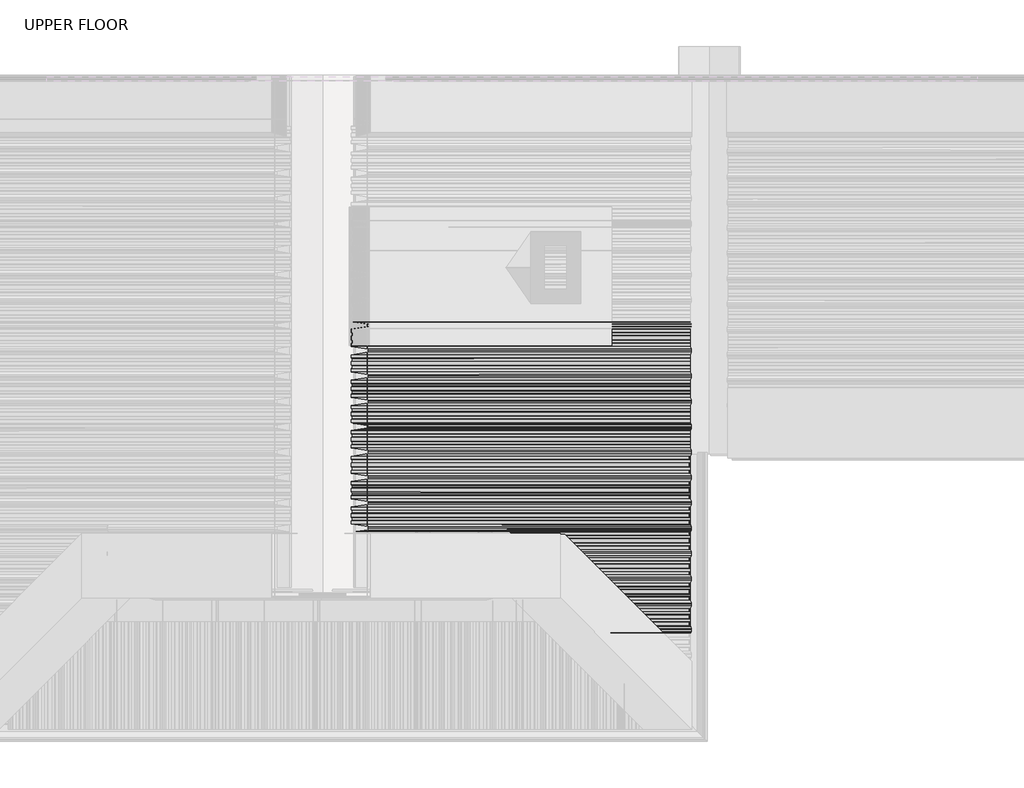
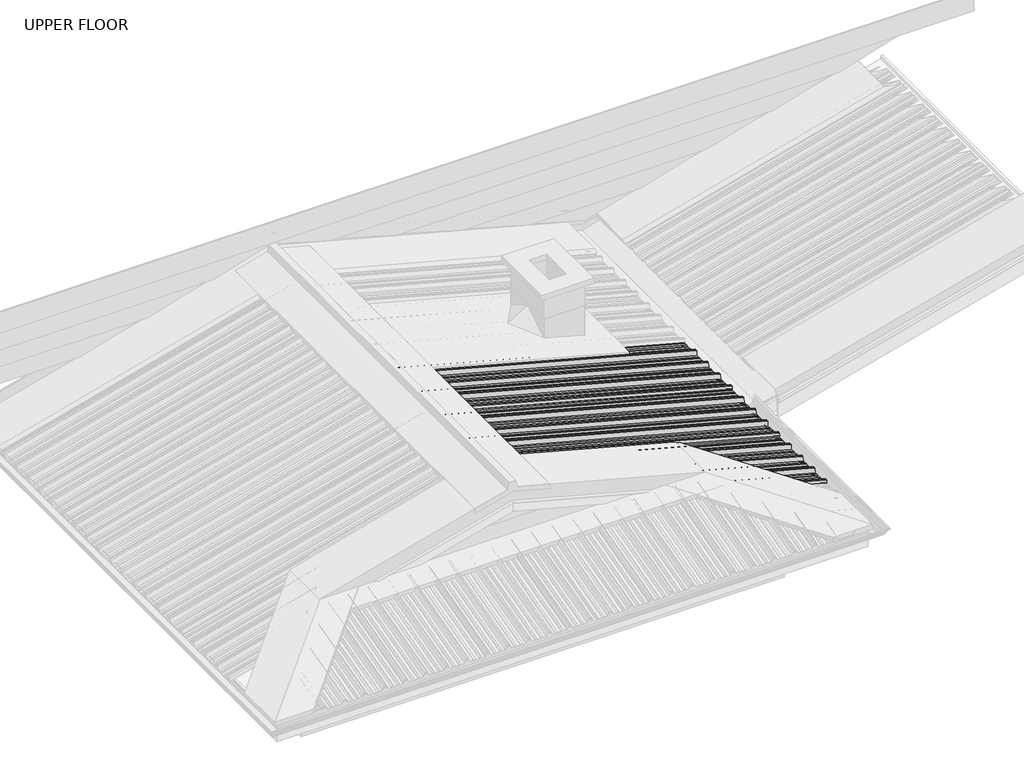
# One storey, part 15 of 21: 3 beams.
"""IFC4 building model written with IfcOpenShell, lengths in millimetres."""

from ifc_helpers import new_model, si_unit, point, frame, frame_2d, origin, place, context, project, spatial, polyline, circle_curve, ellipse_curve, trimmed, segment, composite_curve, outline, extrude, element, save
from ifc_brep_helpers import plane_surface, cylinder_surface, advanced_brep

model = new_model("IFC4")

# Units and contexts
model_context = context("Model", 3, world=origin())
ifc_project = project(units=[si_unit("LENGTHUNIT", "METRE", prefix="MILLI")], contexts=[model_context])

# Site, building, storey
site = spatial("IfcSite", under=ifc_project)
building = spatial("IfcBuilding", under=site)
storey = spatial("IfcBuildingStorey", under=building, Name="UPPER FLOOR", Elevation=2700.0)

# Beams
placement = place(None, origin())
element("IfcBeam", 1, ObjectType="MC700", at=placement, inside=storey, context=model_context, shape_type="AdvancedBrep", body=[
    advanced_brep(
    [(4582.0763624, -3534.795044, 3263.7013822), (4582.0763624, -3507.7370223, 3263.7013822), (4582.6044119, -3503.3567046, 3265.6720894), (4582.6044119, -3486.9287133, 3265.6720894), (4582.0763624, -3483.7136691, 3263.7013822), (4582.0763624, -3461.0160316, 3263.7013822), (4590.0997528, -3442.9415216, 3293.6450828), (4590.0997528, -3432.5160332, 3293.6450828), (4590.0997528, -3422.0905447, 3293.6450828), (4582.0763624, -3404.0160347, 3263.7013822), (4582.0763624, -3381.3183972, 3263.7013822), (4582.6044119, -3378.103353, 3265.6720894), (4582.6044119, -3361.6753617, 3265.6720894), (4582.0763624, -3357.295044, 3263.7013822), (4582.0763624, -3330.2370223, 3263.7013822), (4582.6044119, -3325.8567046, 3265.6720894), (4582.6044119, -3309.4287133, 3265.6720894), (4582.0763624, -3306.2136691, 3263.7013822), (4582.0763624, -3281.200911, 3263.7013822), (4589.5821147, -3264.2924985, 3291.7132311), (4589.5821147, -3245.7395679, 3291.7132311), (4583.2981132, -3231.5834264, 3268.261018), (4583.4284771, -3230.7195405, 3268.7475428), (4589.8409338, -3245.1650563, 3292.679157), (4589.8409338, -3264.86701, 3292.679157), (4582.3351815, -3281.7754226, 3264.667308), (4582.3351815, -3305.9231546, 3264.667308), (4582.8632309, -3309.1381988, 3266.6380153), (4582.8632309, -3326.0781681, 3266.6380153), (4582.3351815, -3330.4584858, 3264.667308), (4582.3351815, -3357.0735805, 3264.667308), (4582.8632309, -3361.4538982, 3266.6380153), (4582.8632309, -3378.3938675, 3266.6380153), (4582.3351815, -3381.6089117, 3264.667308), (4582.3351815, -3403.4415232, 3264.667308), (4590.3585719, -3421.5160332, 3294.6110086), (4590.3585719, -3432.5160332, 3294.6110086), (4590.3585719, -3443.5160332, 3294.6110086), (4582.3351815, -3461.5905432, 3264.667308), (4582.3351815, -3483.4231546, 3264.667308), (4582.8632309, -3486.6381988, 3266.6380153), (4582.8632309, -3503.5781681, 3266.6380153), (4582.3351815, -3507.9584858, 3264.667308), (4582.3351815, -3534.5735805, 3264.667308), (4582.8632309, -3538.9538982, 3266.6380153), (4582.8632309, -3555.8938675, 3266.6380153), (4582.3351815, -3559.1089117, 3264.667308), (4582.3351815, -3580.9415232, 3264.667308), (4590.3585719, -3599.0160332, 3294.6110086), (4590.3585719, -3610.0160332, 3294.6110086), (4590.3585719, -3621.0160332, 3294.6110086), (4582.3351815, -3639.0905432, 3264.667308), (4582.3351815, -3660.9231546, 3264.667308), (4582.8632309, -3664.1381988, 3266.6380153), (4582.8632309, -3681.0781681, 3266.6380153), (4582.3351815, -3685.4584858, 3264.667308), (4582.3351815, -3712.0735805, 3264.667308), (4582.8632309, -3716.4538982, 3266.6380153), (4582.8632309, -3733.3938675, 3266.6380153), (4582.3351815, -3736.6089117, 3264.667308), (4582.3351815, -3758.4415232, 3264.667308), (4590.3585719, -3776.5160332, 3294.6110086), (4590.3585719, -3787.5160332, 3294.6110086), (4590.3585719, -3798.5160332, 3294.6110086), (4582.3351815, -3816.5905432, 3264.667308), (4582.3351815, -3838.4231546, 3264.667308), (4582.8632309, -3841.6381988, 3266.6380153), (4582.8632309, -3858.5781681, 3266.6380153), (4582.3351815, -3862.9584858, 3264.667308), (4582.3351815, -3889.5735805, 3264.667308), (4582.8632309, -3893.9538982, 3266.6380153), (4582.8632309, -3910.8938675, 3266.6380153), (4582.3351815, -3914.1089117, 3264.667308), (4582.3351815, -3935.9415232, 3264.667308), (4590.3585719, -3954.0160332, 3294.6110086), (4590.3585719, -3965.0160332, 3294.6110086), (4590.3585719, -3976.0160332, 3294.6110086), (4584.7688188, -3988.6082221, 3273.7497661), (4584.6384549, -3987.7443362, 3273.2632413), (4590.0997528, -3975.4415216, 3293.6450828), (4590.0997528, -3965.0160332, 3293.6450828), (4590.0997528, -3954.5905447, 3293.6450828), (4582.0763624, -3936.5160347, 3263.7013822), (4582.0763624, -3913.8183972, 3263.7013822), (4582.6044119, -3910.603353, 3265.6720894), (4582.6044119, -3894.1753617, 3265.6720894), (4582.0763624, -3889.795044, 3263.7013822), (4582.0763624, -3862.7370223, 3263.7013822), (4582.6044119, -3858.3567046, 3265.6720894), (4582.6044119, -3841.9287133, 3265.6720894), (4582.0763624, -3838.7136691, 3263.7013822), (4582.0763624, -3816.0160316, 3263.7013822), (4590.0997528, -3797.9415216, 3293.6450828), (4590.0997528, -3787.5160332, 3293.6450828), (4590.0997528, -3777.0905447, 3293.6450828), (4582.0763624, -3759.0160347, 3263.7013822), (4582.0763624, -3736.3183972, 3263.7013822), (4582.6044119, -3733.103353, 3265.6720894), (4582.6044119, -3716.6753617, 3265.6720894), (4582.0763624, -3712.295044, 3263.7013822), (4582.0763624, -3685.2370223, 3263.7013822), (4582.6044119, -3680.8567046, 3265.6720894), (4582.6044119, -3664.4287133, 3265.6720894), (4582.0763624, -3661.2136691, 3263.7013822), (4582.0763624, -3638.5160316, 3263.7013822), (4590.0997528, -3620.4415216, 3293.6450828), (4590.0997528, -3610.0160332, 3293.6450828), (4590.0997528, -3599.5905447, 3293.6450828), (4582.0763624, -3581.5160347, 3263.7013822), (4582.0763624, -3558.8183972, 3263.7013822), (4582.6044119, -3555.603353, 3265.6720894), (4582.6044119, -3539.1753617, 3265.6720894), (3723.3809399, -3685.2370223, 3493.7881272), (3719.0006222, -3680.8567046, 3497.0740275), (3750.4389616, -3712.295044, 3486.5379521), (3754.8192794, -3716.6753617, 3487.4764472), (3771.2472706, -3733.103353, 3483.0745802), (3774.4623148, -3736.3183972, 3480.100914), (3797.1599523, -3759.0160347, 3474.0191004), (3815.2344623, -3777.0905447, 3501.2696116), (3825.6599508, -3787.5160332, 3498.4761104), (3836.0854392, -3797.9415216, 3495.6826092), (3854.1599492, -3816.0160316, 3458.7459972), (3876.8575867, -3838.7136691, 3452.6641836), (3880.0726309, -3841.9287133, 3453.9149128), (3896.5006222, -3858.3567046, 3449.5130458), (3900.8809399, -3862.7370223, 3446.2271455), (3927.9389616, -3889.795044, 3438.9769704), (3932.3192794, -3894.1753617, 3439.9154656), (3948.7472706, -3910.603353, 3435.5135986), (3951.9623148, -3913.8183972, 3432.5399324), (3974.6599523, -3936.5160347, 3426.4581187), (3992.7344623, -3954.5905447, 3453.70863), (4003.1599508, -3965.0160332, 3450.9151287), (4013.5854392, -3975.4415216, 3448.1216275), (4025.8882538, -3987.7443362, 3422.9799064), (4026.7521397, -3988.6082221, 3423.2698846), (4014.1599508, -3976.0160332, 3449.0029638), (4003.1599508, -3965.0160332, 3451.9504049), (3992.1599508, -3954.0160332, 3454.897846), (3974.0854408, -3935.9415232, 3427.6473348), (3952.2528293, -3914.1089117, 3433.4973654), (3949.0377851, -3910.8938675, 3436.4710316), (3932.0978158, -3893.9538982, 3441.0100827), (3927.7174981, -3889.5735805, 3440.0715876), (3901.1024034, -3862.9584858, 3447.2030807), (3896.7220857, -3858.5781681, 3450.488981), (3879.7821164, -3841.6381988, 3455.0280321), (3876.5670722, -3838.4231546, 3453.7773029), (3854.7344608, -3816.5905432, 3459.6273335), (3836.6599508, -3798.5160332, 3496.5639455), (3825.6599508, -3787.5160332, 3499.5113866), (3814.6599508, -3776.5160332, 3502.4588277), (3796.5854408, -3758.4415232, 3475.2083165), (3774.7528293, -3736.6089117, 3481.0583471), (3771.5377851, -3733.3938675, 3484.0320133), (3754.5978158, -3716.4538982, 3488.5710644), (3750.2174981, -3712.0735805, 3487.6325693), (3723.6024034, -3685.4584858, 3494.7640624), (3719.2220857, -3681.0781681, 3498.0499627), (3702.2821164, -3664.1381988, 3502.5890138), (3699.0670722, -3660.9231546, 3501.3382846), (3677.2344608, -3639.0905432, 3507.1883152), (3659.1599508, -3621.0160332, 3544.1249271), (3648.1599508, -3610.0160332, 3547.0723682), (3637.1599508, -3599.0160332, 3550.0198094), (3619.0854408, -3580.9415232, 3522.7692981), (3597.2528293, -3559.1089117, 3528.6193287), (3594.0377851, -3555.8938675, 3531.5929949), (3577.0978158, -3538.9538982, 3536.132046), (3572.7174981, -3534.5735805, 3535.1935509), (3546.1024034, -3507.9584858, 3542.325044), (3541.7220857, -3503.5781681, 3545.6109443), (3524.7821164, -3486.6381988, 3550.1499954), (3521.5670722, -3483.4231546, 3548.8992662), (3499.7344608, -3461.5905432, 3554.7492968), (3481.6599508, -3443.5160332, 3591.6859088), (3470.6599508, -3432.5160332, 3594.6333499), (3459.6599508, -3421.5160332, 3597.580791), (3441.5854408, -3403.4415232, 3570.3302798), (3419.7528293, -3381.6089117, 3576.1803104), (3416.5377851, -3378.3938675, 3579.1539766), (3399.5978158, -3361.4538982, 3583.6930277), (3395.2174981, -3357.0735805, 3582.7545326), (3368.6024034, -3330.4584858, 3589.8860257), (3364.2220857, -3326.0781681, 3593.171926), (3347.2821164, -3309.1381988, 3597.7109771), (3344.0670722, -3305.9231546, 3596.4602479), (3319.9193402, -3281.7754226, 3602.9306132), (3303.0109276, -3264.86701, 3637.4842179), (3283.3089739, -3245.1650563, 3642.7633405), (3268.8634581, -3230.7195405, 3620.984178), (3269.727344, -3231.5834264, 3620.2312448), (3283.8834855, -3245.7395679, 3641.5741244), (3302.4364161, -3264.2924985, 3636.6028816), (3319.3448286, -3281.200911, 3602.0492769), (3344.3575867, -3306.2136691, 3595.3471286), (3347.5726309, -3309.4287133, 3596.5978578), (3364.0006222, -3325.8567046, 3592.1959908), (3368.3809399, -3330.2370223, 3588.9100905), (3395.4389616, -3357.295044, 3581.6599154), (3399.8192794, -3361.6753617, 3582.5984105), (3416.2472706, -3378.103353, 3578.1965435), (3419.4623148, -3381.3183972, 3575.2228773), (3442.1599523, -3404.0160347, 3569.1410637), (3460.2344623, -3422.0905447, 3596.3915749), (3470.6599508, -3432.5160332, 3593.5980737), (3481.0854392, -3442.9415216, 3590.8045725), (3499.1599492, -3461.0160316, 3553.8679606), (3521.8575867, -3483.7136691, 3547.7861469), (3525.0726309, -3486.9287133, 3549.0368761), (3541.5006222, -3503.3567046, 3544.6350091), (3545.8809399, -3507.7370223, 3541.3491088), (3572.9389616, -3534.795044, 3534.0989338), (3577.3192794, -3539.1753617, 3535.0374289), (3593.7472706, -3555.603353, 3530.6355619), (3596.9623148, -3558.8183972, 3527.6618957), (3619.6599523, -3581.5160347, 3521.580082), (3637.7344623, -3599.5905447, 3548.8305933), (3648.1599508, -3610.0160332, 3546.0370921), (3658.5854392, -3620.4415216, 3543.2435909), (3676.6599492, -3638.5160316, 3506.3069789), (3699.3575867, -3661.2136691, 3500.2251653), (3702.5726309, -3664.4287133, 3501.4758945)],
    [
        (0, 1),
        (1, 2),
        (2, 3),
        (3, 4),
        (4, 5),
        (5, 6),
        (6, 7),
        (7, 8),
        (8, 9),
        (9, 10),
        (10, 11),
        (11, 12),
        (12, 13),
        (13, 14),
        (14, 15),
        (15, 16),
        (16, 17),
        (17, 18),
        (18, 19),
        (19, 20),
        (20, 21),
        (21, 22, circle_curve(frame((4583.3632951, -3231.1514835, 3268.5042804), z_axis=(0.9659258262890683, 0.0, -0.25881904510252074), x_axis=(0.0, -1.0, 0.0)), 0.5)),
        (22, 23),
        (23, 24),
        (24, 25),
        (25, 26),
        (26, 27),
        (27, 28),
        (28, 29),
        (29, 30),
        (30, 31),
        (31, 32),
        (32, 33),
        (33, 34),
        (34, 35),
        (35, 36),
        (36, 37),
        (37, 38),
        (38, 39),
        (39, 40),
        (40, 41),
        (41, 42),
        (42, 43),
        (43, 44),
        (44, 45),
        (45, 46),
        (46, 47),
        (47, 48),
        (48, 49),
        (49, 50),
        (50, 51),
        (51, 52),
        (52, 53),
        (53, 54),
        (54, 55),
        (55, 56),
        (56, 57),
        (57, 58),
        (58, 59),
        (59, 60),
        (60, 61),
        (61, 62),
        (62, 63),
        (63, 64),
        (64, 65),
        (65, 66),
        (66, 67),
        (67, 68),
        (68, 69),
        (69, 70),
        (70, 71),
        (71, 72),
        (72, 73),
        (73, 74),
        (74, 75),
        (75, 76),
        (76, 77),
        (77, 78, circle_curve(frame((4584.7036368, -3988.1762792, 3273.5065037), z_axis=(0.9659258262890683, 0.0, -0.25881904510252074), x_axis=(0.0, -1.0, 0.0)), 0.5)),
        (78, 79),
        (79, 80),
        (80, 81),
        (81, 82),
        (82, 83),
        (83, 84),
        (84, 85),
        (85, 86),
        (86, 87),
        (87, 88),
        (88, 89),
        (89, 90),
        (90, 91),
        (91, 92),
        (92, 93),
        (93, 94),
        (94, 95),
        (95, 96),
        (96, 97),
        (97, 98),
        (98, 99),
        (99, 100),
        (100, 101),
        (101, 102),
        (102, 103),
        (103, 104),
        (104, 105),
        (105, 106),
        (106, 107),
        (107, 108),
        (108, 109),
        (109, 110),
        (110, 111),
        (111, 0),
        (100, 112),
        (112, 113),
        (113, 101),
        (99, 114),
        (114, 112),
        (98, 115),
        (115, 114),
        (97, 116),
        (116, 115),
        (96, 117),
        (117, 116),
        (95, 118),
        (118, 117),
        (94, 119),
        (119, 118),
        (93, 120),
        (120, 119),
        (92, 121),
        (121, 120),
        (91, 122),
        (122, 121),
        (90, 123),
        (123, 122),
        (89, 124),
        (124, 123),
        (88, 125),
        (125, 124),
        (87, 126),
        (126, 125),
        (86, 127),
        (127, 126),
        (85, 128),
        (128, 127),
        (84, 129),
        (129, 128),
        (83, 130),
        (130, 129),
        (82, 131),
        (131, 130),
        (81, 132),
        (132, 131),
        (80, 133),
        (133, 132),
        (79, 134),
        (134, 133),
        (78, 135),
        (135, 134),
        (77, 136),
        (136, 135, ellipse_curve(frame((4026.3201968, -3988.1762792, 3423.1248955), z_axis=(0.7071067811865475, 0.7071067811865476, 0.0), x_axis=(-0.6612248329466451, 0.661224832946645, 0.3543493200069143)), 0.7320508, 0.5)),
        (76, 137),
        (137, 136),
        (75, 138),
        (138, 137),
        (74, 139),
        (139, 138),
        (73, 140),
        (140, 139),
        (72, 141),
        (141, 140),
        (71, 142),
        (142, 141),
        (70, 143),
        (143, 142),
        (69, 144),
        (144, 143),
        (68, 145),
        (145, 144),
        (67, 146),
        (146, 145),
        (66, 147),
        (147, 146),
        (65, 148),
        (148, 147),
        (64, 149),
        (149, 148),
        (63, 150),
        (150, 149),
        (62, 151),
        (151, 150),
        (61, 152),
        (152, 151),
        (60, 153),
        (153, 152),
        (59, 154),
        (154, 153),
        (58, 155),
        (155, 154),
        (57, 156),
        (156, 155),
        (56, 157),
        (157, 156),
        (55, 158),
        (158, 157),
        (54, 159),
        (159, 158),
        (53, 160),
        (160, 159),
        (52, 161),
        (161, 160),
        (51, 162),
        (162, 161),
        (50, 163),
        (163, 162),
        (49, 164),
        (164, 163),
        (48, 165),
        (165, 164),
        (47, 166),
        (166, 165),
        (46, 167),
        (167, 166),
        (45, 168),
        (168, 167),
        (44, 169),
        (169, 168),
        (43, 170),
        (170, 169),
        (42, 171),
        (171, 170),
        (41, 172),
        (172, 171),
        (40, 173),
        (173, 172),
        (39, 174),
        (174, 173),
        (38, 175),
        (175, 174),
        (37, 176),
        (176, 175),
        (36, 177),
        (177, 176),
        (35, 178),
        (178, 177),
        (34, 179),
        (179, 178),
        (33, 180),
        (180, 179),
        (32, 181),
        (181, 180),
        (31, 182),
        (182, 181),
        (30, 183),
        (183, 182),
        (29, 184),
        (184, 183),
        (28, 185),
        (185, 184),
        (27, 186),
        (186, 185),
        (26, 187),
        (187, 186),
        (25, 188),
        (188, 187),
        (24, 189),
        (189, 188),
        (23, 190),
        (190, 189),
        (22, 191),
        (191, 190),
        (21, 192),
        (192, 191, ellipse_curve(frame((3269.2954011, -3231.1514835, 3620.6077114), z_axis=(0.7071067811865475, 0.7071067811865476, 0.0), x_axis=(-0.6612248329466451, 0.661224832946645, 0.3543493200069143)), 0.7320508, 0.5)),
        (20, 193),
        (193, 192),
        (19, 194),
        (194, 193),
        (18, 195),
        (195, 194),
        (17, 196),
        (196, 195),
        (16, 197),
        (197, 196),
        (15, 198),
        (198, 197),
        (14, 199),
        (199, 198),
        (13, 200),
        (200, 199),
        (12, 201),
        (201, 200),
        (11, 202),
        (202, 201),
        (10, 203),
        (203, 202),
        (9, 204),
        (204, 203),
        (8, 205),
        (205, 204),
        (7, 206),
        (206, 205),
        (6, 207),
        (207, 206),
        (5, 208),
        (208, 207),
        (4, 209),
        (209, 208),
        (3, 210),
        (210, 209),
        (2, 211),
        (211, 210),
        (1, 212),
        (212, 211),
        (0, 213),
        (213, 212),
        (111, 214),
        (214, 213),
        (110, 215),
        (215, 214),
        (109, 216),
        (216, 215),
        (108, 217),
        (217, 216),
        (107, 218),
        (218, 217),
        (106, 219),
        (219, 218),
        (105, 220),
        (220, 219),
        (104, 221),
        (221, 220),
        (103, 222),
        (222, 221),
        (102, 223),
        (223, 222),
        (113, 223),
    ],
    [
        plane_surface(frame((4582.0763624, -3534.795044, 3263.7013822), z_axis=(0.9659258262890684, 0.0, -0.2588190451025208), x_axis=(-0.10927828227881041, 0.9064939238095149, -0.4078321016283811))),
        plane_surface(frame((2080.6608278, -3680.8567046, 3936.0658523), z_axis=(-0.2346178917516155, 0.4222188604224425, -0.8756058923817275), x_axis=(0.9659258262890683, 0.0, -0.25881904510252074))),
        plane_surface(frame((2080.1327784, -3685.2370223, 3934.095145), z_axis=(-0.25881904510252074, 0.0, -0.9659258262890683), x_axis=(0.9659258262890683, 0.0, -0.25881904510252074))),
        plane_surface(frame((2080.1327784, -3712.295044, 3934.095145), z_axis=(-0.23461789175161696, -0.42221886042244405, -0.8756058923817264), x_axis=(0.9659258262890683, 0.0, -0.25881904510252074))),
        plane_surface(frame((2080.6608278, -3716.6753617, 3936.0658523), z_axis=(-0.25881904510252074, 0.0, -0.9659258262890683), x_axis=(0.9659258262890683, 0.0, -0.25881904510252074))),
        plane_surface(frame((2080.6608278, -3733.103353, 3936.0658523), z_axis=(-0.21853130769187565, 0.5358075541289586, -0.8155699433505514), x_axis=(0.9659258262890683, 0.0, -0.25881904510252074))),
        plane_surface(frame((2080.1327784, -3736.3183972, 3934.095145), z_axis=(-0.25881904510252074, 0.0, -0.9659258262890683), x_axis=(0.9659258262890683, 0.0, -0.25881904510252074))),
        plane_surface(frame((2080.1327784, -3759.0160347, 3934.095145), z_axis=(-0.1303639327417883, -0.863885897621789, -0.48652482046683926), x_axis=(0.9659258262890683, 0.0, -0.25881904510252074))),
        plane_surface(frame((2088.1561688, -3777.0905447, 3964.0388456), z_axis=(-0.25881904510252074, 0.0, -0.9659258262890683), x_axis=(0.9659258262890683, 0.0, -0.25881904510252074))),
        plane_surface(frame((2088.1561688, -3787.5160332, 3964.0388456), z_axis=(-0.25881904510252074, 0.0, -0.9659258262890683), x_axis=(0.9659258262890683, 0.0, -0.25881904510252074))),
        plane_surface(frame((2088.1561688, -3797.9415216, 3964.0388456), z_axis=(-0.1303639327417828, 0.8638858976217941, -0.486524820466832), x_axis=(0.9659258262890683, 0.0, -0.25881904510252074))),
        plane_surface(frame((2080.1327784, -3816.0160316, 3934.095145), z_axis=(-0.25881904510252074, 0.0, -0.9659258262890683), x_axis=(0.9659258262890683, 0.0, -0.25881904510252074))),
        plane_surface(frame((2080.1327784, -3838.7136691, 3934.095145), z_axis=(-0.21853130769188064, -0.5358075541289408, -0.815569943350562), x_axis=(0.9659258262890683, 0.0, -0.25881904510252074))),
        plane_surface(frame((2080.6608278, -3841.9287133, 3936.0658523), z_axis=(-0.25881904510252074, 0.0, -0.9659258262890683), x_axis=(0.9659258262890683, 0.0, -0.25881904510252074))),
        plane_surface(frame((2080.6608278, -3858.3567046, 3936.0658523), z_axis=(-0.23461789175161588, 0.4222188604224396, -0.8756058923817288), x_axis=(0.9659258262890683, 0.0, -0.25881904510252074))),
        plane_surface(frame((2080.1327784, -3862.7370223, 3934.095145), z_axis=(-0.25881904510252074, 0.0, -0.9659258262890683), x_axis=(0.9659258262890683, 0.0, -0.25881904510252074))),
        plane_surface(frame((2080.1327784, -3889.795044, 3934.095145), z_axis=(-0.23461789175161696, -0.42221886042244405, -0.8756058923817264), x_axis=(0.9659258262890683, 0.0, -0.25881904510252074))),
        plane_surface(frame((2080.6608278, -3894.1753617, 3936.0658523), z_axis=(-0.25881904510252074, 0.0, -0.9659258262890683), x_axis=(0.9659258262890683, 0.0, -0.25881904510252074))),
        plane_surface(frame((2080.6608278, -3910.603353, 3936.0658523), z_axis=(-0.21853130769187562, 0.5358075541289586, -0.8155699433505516), x_axis=(0.9659258262890683, 0.0, -0.25881904510252074))),
        plane_surface(frame((2080.1327784, -3913.8183972, 3934.095145), z_axis=(-0.25881904510252074, 0.0, -0.9659258262890683), x_axis=(0.9659258262890683, 0.0, -0.25881904510252074))),
        plane_surface(frame((2080.1327784, -3936.5160347, 3934.095145), z_axis=(-0.13036393274178834, -0.863885897621789, -0.48652482046683926), x_axis=(0.9659258262890683, 0.0, -0.25881904510252074))),
        plane_surface(frame((2088.1561688, -3954.5905447, 3964.0388456), z_axis=(-0.25881904510252074, 0.0, -0.9659258262890683), x_axis=(0.9659258262890683, 0.0, -0.25881904510252074))),
        plane_surface(frame((2088.1561688, -3965.0160332, 3964.0388456), z_axis=(-0.25881904510252074, 0.0, -0.9659258262890683), x_axis=(0.9659258262890683, 0.0, -0.25881904510252074))),
        plane_surface(frame((2088.1561688, -3975.4415216, 3964.0388456), z_axis=(-0.1303639327417852, 0.8638858976217888, -0.48652482046684103), x_axis=(0.9659258262890683, 0.0, -0.25881904510252074))),
        cylinder_surface(frame((4584.7036368, -3988.1762792, 3273.5065037), z_axis=(-0.9659258262890683, 0.0, 0.25881904510252074), x_axis=(0.0, -1.0, 0.0)), 0.5),
        plane_surface(frame((2082.8252347, -3988.6082221, 3944.143529), z_axis=(0.1303639327417763, -0.8638858976218088, 0.4865248204668078), x_axis=(0.9659258262890683, 0.0, -0.25881904510252074))),
        plane_surface(frame((2088.4149878, -3976.0160332, 3965.0047715), z_axis=(0.25881904510252074, 0.0, 0.9659258262890683), x_axis=(0.9659258262890683, 0.0, -0.25881904510252074))),
        plane_surface(frame((2088.4149878, -3965.0160332, 3965.0047715), z_axis=(0.25881904510252074, 0.0, 0.9659258262890683), x_axis=(0.9659258262890683, 0.0, -0.25881904510252074))),
        plane_surface(frame((2088.4149878, -3954.0160332, 3965.0047715), z_axis=(0.1303639327417883, 0.863885897621789, 0.48652482046683926), x_axis=(0.9659258262890683, 0.0, -0.25881904510252074))),
        plane_surface(frame((2080.3915974, -3935.9415232, 3935.0610708), z_axis=(0.25881904510252074, 0.0, 0.9659258262890683), x_axis=(0.9659258262890683, 0.0, -0.25881904510252074))),
        plane_surface(frame((2080.3915974, -3914.1089117, 3935.0610708), z_axis=(0.2185313076918783, -0.5358075541289425, 0.8155699433505613), x_axis=(0.9659258262890683, 0.0, -0.25881904510252074))),
        plane_surface(frame((2080.9196468, -3910.8938675, 3937.0317781), z_axis=(0.25881904510252074, 0.0, 0.9659258262890683), x_axis=(0.9659258262890683, 0.0, -0.25881904510252074))),
        plane_surface(frame((2080.9196468, -3893.9538982, 3937.0317781), z_axis=(0.2346178917516166, 0.42221886042244694, 0.875605892381725), x_axis=(0.9659258262890683, 0.0, -0.25881904510252074))),
        plane_surface(frame((2080.3915974, -3889.5735805, 3935.0610708), z_axis=(0.25881904510252074, 0.0, 0.9659258262890683), x_axis=(0.9659258262890683, 0.0, -0.25881904510252074))),
        plane_surface(frame((2080.3915974, -3862.9584858, 3935.0610708), z_axis=(0.23461789175161618, -0.42221886042243717, 0.8756058923817299), x_axis=(0.9659258262890683, 0.0, -0.25881904510252074))),
        plane_surface(frame((2080.9196468, -3858.5781681, 3937.0317781), z_axis=(0.25881904510252074, 0.0, 0.9659258262890683), x_axis=(0.9659258262890683, 0.0, -0.25881904510252074))),
        plane_surface(frame((2080.9196468, -3841.6381988, 3937.0317781), z_axis=(0.2185313076918775, 0.5358075541289602, 0.8155699433505503), x_axis=(0.9659258262890683, 0.0, -0.25881904510252074))),
        plane_surface(frame((2080.3915974, -3838.4231546, 3935.0610708), z_axis=(0.25881904510252074, 0.0, 0.9659258262890683), x_axis=(0.9659258262890683, 0.0, -0.25881904510252074))),
        plane_surface(frame((2080.3915974, -3816.5905432, 3935.0610708), z_axis=(0.13036393274178276, -0.8638858976217942, 0.48652482046683193), x_axis=(0.9659258262890683, 0.0, -0.25881904510252074))),
        plane_surface(frame((2088.4149878, -3798.5160332, 3965.0047715), z_axis=(0.25881904510252074, 0.0, 0.9659258262890683), x_axis=(0.9659258262890683, 0.0, -0.25881904510252074))),
        plane_surface(frame((2088.4149878, -3787.5160332, 3965.0047715), z_axis=(0.25881904510252074, 0.0, 0.9659258262890683), x_axis=(0.9659258262890683, 0.0, -0.25881904510252074))),
        plane_surface(frame((2088.4149878, -3776.5160332, 3965.0047715), z_axis=(0.1303639327417876, 0.8638858976217909, 0.4865248204668366), x_axis=(0.9659258262890683, 0.0, -0.25881904510252074))),
        plane_surface(frame((2080.3915974, -3758.4415232, 3935.0610708), z_axis=(0.25881904510252074, 0.0, 0.9659258262890683), x_axis=(0.9659258262890683, 0.0, -0.25881904510252074))),
        plane_surface(frame((2080.3915974, -3736.6089117, 3935.0610708), z_axis=(0.21853130769187565, -0.5358075541289586, 0.8155699433505514), x_axis=(0.9659258262890683, 0.0, -0.25881904510252074))),
        plane_surface(frame((2080.9196468, -3733.3938675, 3937.0317781), z_axis=(0.25881904510252074, 0.0, 0.9659258262890683), x_axis=(0.9659258262890683, 0.0, -0.25881904510252074))),
        plane_surface(frame((2080.9196468, -3716.4538982, 3937.0317781), z_axis=(0.23461789175161565, 0.4222188604224548, 0.8756058923817215), x_axis=(0.9659258262890683, 0.0, -0.25881904510252074))),
        plane_surface(frame((2080.3915974, -3712.0735805, 3935.0610708), z_axis=(0.25881904510252074, 0.0, 0.9659258262890683), x_axis=(0.9659258262890683, 0.0, -0.25881904510252074))),
        plane_surface(frame((2080.3915974, -3685.4584858, 3935.0610708), z_axis=(0.2346178917516158, -0.4222188604224401, 0.8756058923817286), x_axis=(0.9659258262890683, 0.0, -0.25881904510252074))),
        plane_surface(frame((2080.9196468, -3681.0781681, 3937.0317781), z_axis=(0.25881904510252074, 0.0, 0.9659258262890683), x_axis=(0.9659258262890683, 0.0, -0.25881904510252074))),
        plane_surface(frame((2080.9196468, -3664.1381988, 3937.0317781), z_axis=(0.21853130769187648, 0.5358075541289663, 0.8155699433505462), x_axis=(0.9659258262890683, 0.0, -0.25881904510252074))),
        plane_surface(frame((2080.3915974, -3660.9231546, 3935.0610708), z_axis=(0.25881904510252074, 0.0, 0.9659258262890683), x_axis=(0.9659258262890683, 0.0, -0.25881904510252074))),
        plane_surface(frame((2080.3915974, -3639.0905432, 3935.0610708), z_axis=(0.13036393274178454, -0.8638858976217901, 0.48652482046683854), x_axis=(0.9659258262890683, 0.0, -0.25881904510252074))),
        plane_surface(frame((2088.4149878, -3621.0160332, 3965.0047715), z_axis=(0.25881904510252074, 0.0, 0.9659258262890683), x_axis=(0.9659258262890683, 0.0, -0.25881904510252074))),
        plane_surface(frame((2088.4149878, -3610.0160332, 3965.0047715), z_axis=(0.25881904510252074, 0.0, 0.9659258262890683), x_axis=(0.9659258262890683, 0.0, -0.25881904510252074))),
        plane_surface(frame((2088.4149878, -3599.0160332, 3965.0047715), z_axis=(0.13036393274178865, 0.8638858976217882, 0.48652482046684054), x_axis=(0.9659258262890683, 0.0, -0.25881904510252074))),
        plane_surface(frame((2080.3915974, -3580.9415232, 3935.0610708), z_axis=(0.25881904510252074, 0.0, 0.9659258262890683), x_axis=(0.9659258262890683, 0.0, -0.25881904510252074))),
        plane_surface(frame((2080.3915974, -3559.1089117, 3935.0610708), z_axis=(0.21853130769187631, -0.5358075541289546, 0.815569943350554), x_axis=(0.9659258262890683, 0.0, -0.25881904510252074))),
        plane_surface(frame((2080.9196468, -3555.8938675, 3937.0317781), z_axis=(0.25881904510252074, 0.0, 0.9659258262890683), x_axis=(0.9659258262890683, 0.0, -0.25881904510252074))),
        plane_surface(frame((2080.9196468, -3538.9538982, 3937.0317781), z_axis=(0.23461789175161663, 0.4222188604224467, 0.8756058923817251), x_axis=(0.9659258262890683, 0.0, -0.25881904510252074))),
        plane_surface(frame((2080.3915974, -3534.5735805, 3935.0610708), z_axis=(0.25881904510252074, 0.0, 0.9659258262890683), x_axis=(0.9659258262890683, 0.0, -0.25881904510252074))),
        plane_surface(frame((2080.3915974, -3507.9584858, 3935.0610708), z_axis=(0.23461789175161488, -0.42221886042244783, 0.875605892381725), x_axis=(0.9659258262890683, 0.0, -0.25881904510252074))),
        plane_surface(frame((2080.9196468, -3503.5781681, 3937.0317781), z_axis=(0.25881904510252074, 0.0, 0.9659258262890683), x_axis=(0.9659258262890683, 0.0, -0.25881904510252074))),
        plane_surface(frame((2080.9196468, -3486.6381988, 3937.0317781), z_axis=(0.2185313076918775, 0.5358075541289602, 0.8155699433505503), x_axis=(0.9659258262890683, 0.0, -0.25881904510252074))),
        plane_surface(frame((2080.3915974, -3483.4231546, 3935.0610708), z_axis=(0.25881904510252074, 0.0, 0.9659258262890683), x_axis=(0.9659258262890683, 0.0, -0.25881904510252074))),
        plane_surface(frame((2080.3915974, -3461.5905432, 3935.0610708), z_axis=(0.13036393274178426, -0.8638858976217909, 0.4865248204668375), x_axis=(0.9659258262890683, 0.0, -0.25881904510252074))),
        plane_surface(frame((2088.4149878, -3443.5160332, 3965.0047715), z_axis=(0.25881904510252074, 0.0, 0.9659258262890683), x_axis=(0.9659258262890683, 0.0, -0.25881904510252074))),
        plane_surface(frame((2088.4149878, -3432.5160332, 3965.0047715), z_axis=(0.25881904510252074, 0.0, 0.9659258262890683), x_axis=(0.9659258262890683, 0.0, -0.25881904510252074))),
        plane_surface(frame((2088.4149878, -3421.5160332, 3965.0047715), z_axis=(0.1303639327417894, 0.8638858976217868, 0.48652482046684337), x_axis=(0.9659258262890683, 0.0, -0.25881904510252074))),
        plane_surface(frame((2080.3915974, -3403.4415232, 3935.0610708), z_axis=(0.25881904510252074, 0.0, 0.9659258262890683), x_axis=(0.9659258262890683, 0.0, -0.25881904510252074))),
        plane_surface(frame((2080.3915974, -3381.6089117, 3935.0610708), z_axis=(0.21853130769187631, -0.5358075541289546, 0.815569943350554), x_axis=(0.9659258262890683, 0.0, -0.25881904510252074))),
        plane_surface(frame((2080.9196468, -3378.3938675, 3937.0317781), z_axis=(0.25881904510252074, 0.0, 0.9659258262890683), x_axis=(0.9659258262890683, 0.0, -0.25881904510252074))),
        plane_surface(frame((2080.9196468, -3361.4538982, 3937.0317781), z_axis=(0.23461789175161632, 0.4222188604224494, 0.875605892381724), x_axis=(0.9659258262890683, 0.0, -0.25881904510252074))),
        plane_surface(frame((2080.3915974, -3357.0735805, 3935.0610708), z_axis=(0.25881904510252074, 0.0, 0.9659258262890683), x_axis=(0.9659258262890683, 0.0, -0.25881904510252074))),
        plane_surface(frame((2080.3915974, -3330.4584858, 3935.0610708), z_axis=(0.2346178917516152, -0.4222188604224452, 0.8756058923817263), x_axis=(0.9659258262890683, 0.0, -0.25881904510252074))),
        plane_surface(frame((2080.9196468, -3326.0781681, 3937.0317781), z_axis=(0.25881904510252074, 0.0, 0.9659258262890683), x_axis=(0.9659258262890683, 0.0, -0.25881904510252074))),
        plane_surface(frame((2080.9196468, -3309.1381988, 3937.0317781), z_axis=(0.21853130769187817, 0.535807554128956, 0.8155699433505526), x_axis=(0.9659258262890683, 0.0, -0.25881904510252074))),
        plane_surface(frame((2080.3915974, -3305.9231546, 3935.0610708), z_axis=(0.25881904510252074, 0.0, 0.9659258262890683), x_axis=(0.9659258262890683, 0.0, -0.25881904510252074))),
        plane_surface(frame((2080.3915974, -3281.7754226, 3935.0610708), z_axis=(0.13036393274178437, -0.8638858976217906, 0.4865248204668379), x_axis=(0.9659258262890683, 0.0, -0.25881904510252074))),
        plane_surface(frame((2087.8973497, -3264.86701, 3963.0729198), z_axis=(0.25881904510252074, 0.0, 0.9659258262890683), x_axis=(0.9659258262890683, 0.0, -0.25881904510252074))),
        plane_surface(frame((2087.8973497, -3245.1650563, 3963.0729198), z_axis=(0.13036393274178582, 0.8638858976217948, 0.48652482046682993), x_axis=(0.9659258262890683, 0.0, -0.25881904510252074))),
        cylinder_surface(frame((4583.3632951, -3231.1514835, 3268.5042804), z_axis=(-0.9659258262890683, 0.0, 0.25881904510252074), x_axis=(0.0, -1.0, 0.0)), 0.5),
        plane_surface(frame((2081.3545291, -3231.5834264, 3938.6547808), z_axis=(-0.13036393274179325, -0.8638858976217781, -0.48652482046685774), x_axis=(0.9659258262890683, 0.0, -0.25881904510252074))),
        plane_surface(frame((2087.6385307, -3245.7395679, 3962.106994), z_axis=(-0.25881904510252074, 0.0, -0.9659258262890683), x_axis=(0.9659258262890683, 0.0, -0.25881904510252074))),
        plane_surface(frame((2087.6385307, -3264.2924985, 3962.106994), z_axis=(-0.13036393274178437, 0.8638858976217906, -0.4865248204668379), x_axis=(0.9659258262890683, 0.0, -0.25881904510252074))),
        plane_surface(frame((2080.1327784, -3281.200911, 3934.095145), z_axis=(-0.25881904510252074, 0.0, -0.9659258262890683), x_axis=(0.9659258262890683, 0.0, -0.25881904510252074))),
        plane_surface(frame((2080.1327784, -3306.2136691, 3934.095145), z_axis=(-0.21853130769187817, -0.535807554128956, -0.8155699433505526), x_axis=(0.9659258262890683, 0.0, -0.25881904510252074))),
        plane_surface(frame((2080.6608278, -3309.4287133, 3936.0658523), z_axis=(-0.25881904510252074, 0.0, -0.9659258262890683), x_axis=(0.9659258262890683, 0.0, -0.25881904510252074))),
        plane_surface(frame((2080.6608278, -3325.8567046, 3936.0658523), z_axis=(-0.23461789175161518, 0.4222188604224452, -0.8756058923817263), x_axis=(0.9659258262890683, 0.0, -0.25881904510252074))),
        plane_surface(frame((2080.1327784, -3330.2370223, 3934.095145), z_axis=(-0.25881904510252074, 0.0, -0.9659258262890683), x_axis=(0.9659258262890683, 0.0, -0.25881904510252074))),
        plane_surface(frame((2080.1327784, -3357.295044, 3934.095145), z_axis=(-0.23461789175161665, -0.4222188604224467, -0.8756058923817251), x_axis=(0.9659258262890683, 0.0, -0.25881904510252074))),
        plane_surface(frame((2080.6608278, -3361.6753617, 3936.0658523), z_axis=(-0.25881904510252074, 0.0, -0.9659258262890683), x_axis=(0.9659258262890683, 0.0, -0.25881904510252074))),
        plane_surface(frame((2080.6608278, -3378.103353, 3936.0658523), z_axis=(-0.21853130769187562, 0.5358075541289586, -0.8155699433505516), x_axis=(0.9659258262890683, 0.0, -0.25881904510252074))),
        plane_surface(frame((2080.1327784, -3381.3183972, 3934.095145), z_axis=(-0.25881904510252074, 0.0, -0.9659258262890683), x_axis=(0.9659258262890683, 0.0, -0.25881904510252074))),
        plane_surface(frame((2080.1327784, -3404.0160347, 3934.095145), z_axis=(-0.1303639327417876, -0.8638858976217909, -0.4865248204668366), x_axis=(0.9659258262890683, 0.0, -0.25881904510252074))),
        plane_surface(frame((2088.1561688, -3422.0905447, 3964.0388456), z_axis=(-0.25881904510252074, 0.0, -0.9659258262890683), x_axis=(0.9659258262890683, 0.0, -0.25881904510252074))),
        plane_surface(frame((2088.1561688, -3432.5160332, 3964.0388456), z_axis=(-0.25881904510252074, 0.0, -0.9659258262890683), x_axis=(0.9659258262890683, 0.0, -0.25881904510252074))),
        plane_surface(frame((2088.1561688, -3442.9415216, 3964.0388456), z_axis=(-0.1303639327417828, 0.8638858976217941, -0.486524820466832), x_axis=(0.9659258262890683, 0.0, -0.25881904510252074))),
        plane_surface(frame((2080.1327784, -3461.0160316, 3934.095145), z_axis=(-0.25881904510252074, 0.0, -0.9659258262890683), x_axis=(0.9659258262890683, 0.0, -0.25881904510252074))),
        plane_surface(frame((2080.1327784, -3483.7136691, 3934.095145), z_axis=(-0.2185313076918788, -0.535807554128952, -0.8155699433505551), x_axis=(0.9659258262890683, 0.0, -0.25881904510252074))),
        plane_surface(frame((2080.6608278, -3486.9287133, 3936.0658523), z_axis=(-0.25881904510252074, 0.0, -0.9659258262890683), x_axis=(0.9659258262890683, 0.0, -0.25881904510252074))),
        plane_surface(frame((2080.6608278, -3503.3567046, 3936.0658523), z_axis=(-0.23461789175161551, 0.4222188604224425, -0.8756058923817275), x_axis=(0.9659258262890683, 0.0, -0.25881904510252074))),
        plane_surface(frame((2080.1327784, -3507.7370223, 3934.095145), z_axis=(-0.25881904510252074, 0.0, -0.9659258262890683), x_axis=(0.9659258262890683, 0.0, -0.25881904510252074))),
        plane_surface(frame((2080.1327784, -3534.795044, 3934.095145), z_axis=(-0.23461789175161663, -0.4222188604224467, -0.8756058923817251), x_axis=(0.9659258262890683, 0.0, -0.25881904510252074))),
        plane_surface(frame((2080.6608278, -3539.1753617, 3936.0658523), z_axis=(-0.25881904510252074, 0.0, -0.9659258262890683), x_axis=(0.9659258262890683, 0.0, -0.25881904510252074))),
        plane_surface(frame((2080.6608278, -3555.603353, 3936.0658523), z_axis=(-0.21853130769187565, 0.5358075541289586, -0.8155699433505514), x_axis=(0.9659258262890683, 0.0, -0.25881904510252074))),
        plane_surface(frame((2080.1327784, -3558.8183972, 3934.095145), z_axis=(-0.25881904510252074, 0.0, -0.9659258262890683), x_axis=(0.9659258262890683, 0.0, -0.25881904510252074))),
        plane_surface(frame((2080.1327784, -3581.5160347, 3934.095145), z_axis=(-0.1303639327417883, -0.863885897621789, -0.48652482046683926), x_axis=(0.9659258262890683, 0.0, -0.25881904510252074))),
        plane_surface(frame((2088.1561688, -3599.5905447, 3964.0388456), z_axis=(-0.25881904510252074, 0.0, -0.9659258262890683), x_axis=(0.9659258262890683, 0.0, -0.25881904510252074))),
        plane_surface(frame((2088.1561688, -3610.0160332, 3964.0388456), z_axis=(-0.25881904510252074, 0.0, -0.9659258262890683), x_axis=(0.9659258262890683, 0.0, -0.25881904510252074))),
        plane_surface(frame((2088.1561688, -3620.4415216, 3964.0388456), z_axis=(-0.13036393274178276, 0.8638858976217942, -0.48652482046683193), x_axis=(0.9659258262890683, 0.0, -0.25881904510252074))),
        plane_surface(frame((2080.1327784, -3638.5160316, 3934.095145), z_axis=(-0.25881904510252074, 0.0, -0.9659258262890683), x_axis=(0.9659258262890683, 0.0, -0.25881904510252074))),
        plane_surface(frame((2080.1327784, -3661.2136691, 3934.095145), z_axis=(-0.21853130769187964, -0.5358075541289471, -0.815569943350558), x_axis=(0.9659258262890683, 0.0, -0.25881904510252074))),
        plane_surface(frame((2080.6608278, -3664.4287133, 3936.0658523), z_axis=(-0.25881904510252074, 0.0, -0.9659258262890683), x_axis=(0.9659258262890683, 0.0, -0.25881904510252074))),
        plane_surface(frame((2270.178728, -2232.0348104, 4276.036793), z_axis=(-0.7071067811865475, -0.7071067811865476, 0.0), x_axis=(0.0, 0.0, -1.0))),
    ],
    [
        (0, [[1, 2, 3, 4, 5, 6, 7, 8, 9, 10, 11, 12, 13, 14, 15, 16, 17, 18, 19, 20, 21, 22, 23, 24, 25, 26, 27, 28, 29, 30, 31, 32, 33, 34, 35, 36, 37, 38, 39, 40, 41, 42, 43, 44, 45, 46, 47, 48, 49, 50, 51, 52, 53, 54, 55, 56, 57, 58, 59, 60, 61, 62, 63, 64, 65, 66, 67, 68, 69, 70, 71, 72, 73, 74, 75, 76, 77, 78, 79, 80, 81, 82, 83, 84, 85, 86, 87, 88, 89, 90, 91, 92, 93, 94, 95, 96, 97, 98, 99, 100, 101, 102, 103, 104, 105, 106, 107, 108, 109, 110, 111, 112]]),
        (1, [[-101, 113, 114, 115]]),
        (2, [[-100, 116, 117, -113]]),
        (3, [[-99, 118, 119, -116]]),
        (4, [[-98, 120, 121, -118]]),
        (5, [[-97, 122, 123, -120]]),
        (6, [[-96, 124, 125, -122]]),
        (7, [[-95, 126, 127, -124]]),
        (8, [[-94, 128, 129, -126]]),
        (9, [[-93, 130, 131, -128]]),
        (10, [[-92, 132, 133, -130]]),
        (11, [[-91, 134, 135, -132]]),
        (12, [[-90, 136, 137, -134]]),
        (13, [[-89, 138, 139, -136]]),
        (14, [[-88, 140, 141, -138]]),
        (15, [[-87, 142, 143, -140]]),
        (16, [[-86, 144, 145, -142]]),
        (17, [[-85, 146, 147, -144]]),
        (18, [[-84, 148, 149, -146]]),
        (19, [[-83, 150, 151, -148]]),
        (20, [[-82, 152, 153, -150]]),
        (21, [[-81, 154, 155, -152]]),
        (22, [[-80, 156, 157, -154]]),
        (23, [[-79, 158, 159, -156]]),
        (24, [[-78, 160, 161, -158]]),
        (25, [[-77, 162, 163, -160]]),
        (26, [[-76, 164, 165, -162]]),
        (27, [[-75, 166, 167, -164]]),
        (28, [[-74, 168, 169, -166]]),
        (29, [[-73, 170, 171, -168]]),
        (30, [[-72, 172, 173, -170]]),
        (31, [[-71, 174, 175, -172]]),
        (32, [[-70, 176, 177, -174]]),
        (33, [[-69, 178, 179, -176]]),
        (34, [[-68, 180, 181, -178]]),
        (35, [[-67, 182, 183, -180]]),
        (36, [[-66, 184, 185, -182]]),
        (37, [[-65, 186, 187, -184]]),
        (38, [[-64, 188, 189, -186]]),
        (39, [[-63, 190, 191, -188]]),
        (40, [[-62, 192, 193, -190]]),
        (41, [[-61, 194, 195, -192]]),
        (42, [[-60, 196, 197, -194]]),
        (43, [[-59, 198, 199, -196]]),
        (44, [[-58, 200, 201, -198]]),
        (45, [[-57, 202, 203, -200]]),
        (46, [[-56, 204, 205, -202]]),
        (47, [[-55, 206, 207, -204]]),
        (48, [[-54, 208, 209, -206]]),
        (49, [[-53, 210, 211, -208]]),
        (50, [[-52, 212, 213, -210]]),
        (51, [[-51, 214, 215, -212]]),
        (52, [[-50, 216, 217, -214]]),
        (53, [[-49, 218, 219, -216]]),
        (54, [[-48, 220, 221, -218]]),
        (55, [[-47, 222, 223, -220]]),
        (56, [[-46, 224, 225, -222]]),
        (57, [[-45, 226, 227, -224]]),
        (58, [[-44, 228, 229, -226]]),
        (59, [[-43, 230, 231, -228]]),
        (60, [[-42, 232, 233, -230]]),
        (61, [[-41, 234, 235, -232]]),
        (62, [[-40, 236, 237, -234]]),
        (63, [[-39, 238, 239, -236]]),
        (64, [[-38, 240, 241, -238]]),
        (65, [[-37, 242, 243, -240]]),
        (66, [[-36, 244, 245, -242]]),
        (67, [[-35, 246, 247, -244]]),
        (68, [[-34, 248, 249, -246]]),
        (69, [[-33, 250, 251, -248]]),
        (70, [[-32, 252, 253, -250]]),
        (71, [[-31, 254, 255, -252]]),
        (72, [[-30, 256, 257, -254]]),
        (73, [[-29, 258, 259, -256]]),
        (74, [[-28, 260, 261, -258]]),
        (75, [[-27, 262, 263, -260]]),
        (76, [[-26, 264, 265, -262]]),
        (77, [[-25, 266, 267, -264]]),
        (78, [[-24, 268, 269, -266]]),
        (79, [[-23, 270, 271, -268]]),
        (80, [[-22, 272, 273, -270]]),
        (81, [[-21, 274, 275, -272]]),
        (82, [[-20, 276, 277, -274]]),
        (83, [[-19, 278, 279, -276]]),
        (84, [[-18, 280, 281, -278]]),
        (85, [[-17, 282, 283, -280]]),
        (86, [[-16, 284, 285, -282]]),
        (87, [[-15, 286, 287, -284]]),
        (88, [[-14, 288, 289, -286]]),
        (89, [[-13, 290, 291, -288]]),
        (90, [[-12, 292, 293, -290]]),
        (91, [[-11, 294, 295, -292]]),
        (92, [[-10, 296, 297, -294]]),
        (93, [[-9, 298, 299, -296]]),
        (94, [[-8, 300, 301, -298]]),
        (95, [[-7, 302, 303, -300]]),
        (96, [[-6, 304, 305, -302]]),
        (97, [[-5, 306, 307, -304]]),
        (98, [[-4, 308, 309, -306]]),
        (99, [[-3, 310, 311, -308]]),
        (100, [[-2, 312, 313, -310]]),
        (101, [[-1, 314, 315, -312]]),
        (102, [[-112, 316, 317, -314]]),
        (103, [[-111, 318, 319, -316]]),
        (104, [[-110, 320, 321, -318]]),
        (105, [[-109, 322, 323, -320]]),
        (106, [[-108, 324, 325, -322]]),
        (107, [[-107, 326, 327, -324]]),
        (108, [[-106, 328, 329, -326]]),
        (109, [[-105, 330, 331, -328]]),
        (110, [[-104, 332, 333, -330]]),
        (111, [[-103, 334, 335, -332]]),
        (112, [[-102, -115, 336, -334]]),
        (113, [[-114, -117, -119, -121, -123, -125, -127, -129, -131, -133, -135, -137, -139, -141, -143, -145, -147, -149, -151, -153, -155, -157, -159, -161, -163, -165, -167, -169, -171, -173, -175, -177, -179, -181, -183, -185, -187, -189, -191, -193, -195, -197, -199, -201, -203, -205, -207, -209, -211, -213, -215, -217, -219, -221, -223, -225, -227, -229, -231, -233, -235, -237, -239, -241, -243, -245, -247, -249, -251, -253, -255, -257, -259, -261, -263, -265, -267, -269, -271, -273, -275, -277, -279, -281, -283, -285, -287, -289, -291, -293, -295, -297, -299, -301, -303, -305, -307, -309, -311, -313, -315, -317, -319, -321, -323, -325, -327, -329, -331, -333, -335, -336]]),
    ],
),
])
element("IfcBeam", 2, ObjectType="MC700", at=placement, inside=storey, context=model_context, shape_type="SweptSolid", body=[
    extrude(outline(composite_curve([segment(polyline([(0.0, 0.0), (24.5279323, -11.4244071), (27.6372416, -15.1233125), (42.5291159, -22.0595203), (46.304956, -21.5675199), (66.8802264, -31.1508905), (70.1758753, -66.8836012), (79.6265172, -71.285439), (89.0771591, -75.6872769), (118.5503773, -55.2173643), (139.1256478, -64.8007349), (141.1786438, -68.0076399), (156.0705181, -74.9438477), (160.9026715, -74.9438477), (185.4306037, -86.3682548), (188.5399131, -90.0671603), (203.4317874, -97.003368), (207.2076274, -96.5113676), (229.8815407, -107.0722258), (232.9645669, -140.4996002), (249.7826858, -148.3329975), (272.8664123, -132.3007522)]), True, "CONTINUOUS"), segment(trimmed(circle_curve(frame_2d((273.1516327, -132.7114215)), 0.5), [point((272.8664123, -132.3007522))], [point((273.4368532, -133.1220908))], False, "CARTESIAN"), True, "CONTINUOUS"), segment(polyline([(273.4368532, -133.1220908), (249.8812582, -149.4820611), (232.0215569, -141.1635246), (228.9385305, -107.7361501), (207.0487582, -97.5405222), (203.2729182, -98.0325227), (187.9169389, -90.8801482), (184.8076296, -87.1812427), (160.6812079, -75.9438477), (155.8490545, -75.9438477), (140.4930753, -68.7914732), (138.4400793, -65.5845681), (118.6489496, -56.3664278), (89.1757315, -76.8363404), (79.2042983, -72.1919329), (69.2328651, -67.5475255), (65.9372163, -31.8148148), (46.1460867, -22.5966745), (42.3702467, -23.088675), (27.0142674, -15.9363004), (23.9049581, -12.2373949), (-0.2214635, -1.0), (-5.0536169, -1.0), (-20.4095962, 6.1523745), (-22.4625922, 9.3592796), (-42.2537219, 18.5774199), (-71.72694, -1.8924927), (-81.6983732, 2.7519148), (-91.6698063, 7.3963223), (-94.9654552, 43.1290329), (-114.7565847, 52.3471732), (-118.5324248, 51.8551727), (-133.888404, 59.0075473), (-136.9977134, 62.7064528), (-161.124135, 73.9438477), (-165.9562884, 73.9438477), (-181.3122677, 81.0962223), (-183.3652637, 84.3031273), (-203.1563933, 93.5212677), (-232.6296115, 73.0513551), (-242.6010447, 77.6957625), (-252.5724778, 82.34017), (-255.8681266, 118.0728806), (-275.6592562, 127.2910209), (-279.4350963, 126.7990205), (-294.7910755, 133.951395), (-297.9003849, 137.6503005), (-322.0268065, 148.8876955), (-326.8589599, 148.8876955), (-342.2149391, 156.04007), (-344.2679351, 159.246975), (-364.0590648, 168.4651154), (-393.532283, 147.9952028), (-403.5037161, 152.6396103), (-413.4751493, 157.2840177), (-415.771169, 182.1783603)]), True, "CONTINUOUS"), segment(trimmed(circle_curve(frame_2d((-415.2732822, 182.2242807)), 0.5), [point((-415.771169, 182.1783603))], [point((-414.7753953, 182.2702011))], False, "CARTESIAN"), True, "CONTINUOUS"), segment(polyline([(-414.7753953, 182.2702011), (-412.5321392, 157.947942), (-403.0814973, 153.5461042), (-393.6308553, 149.1442663), (-364.1576371, 169.6141789), (-343.5823667, 160.0308083), (-341.5293706, 156.8239033), (-326.6374963, 149.8876955), (-321.805343, 149.8876954), (-297.2774107, 138.4632884), (-294.1681013, 134.7643829), (-279.276227, 127.8281752), (-275.500387, 128.3201756), (-254.9251165, 118.7368049), (-251.6294677, 83.0040943), (-242.1788258, 78.6022564), (-232.7281838, 74.2004186), (-203.2549657, 94.6703312), (-182.6796952, 85.0869605), (-180.6266992, 81.8800555), (-165.7348249, 74.9438478), (-160.9026715, 74.9438477), (-136.3747392, 63.5194406), (-133.2654298, 59.8205352), (-118.3735555, 52.8843274), (-114.5977155, 53.3763278), (-94.022445, 43.7929572), (-90.7267962, 8.0602465), (-81.2761543, 3.6584087), (-71.8255123, -0.7434292), (-42.3522942, 19.7264835), (-21.7770237, 10.1431128), (-19.7240277, 6.9362078), (-4.8321534, 1e-07), (0.0, 0.0)]), True, "CONTINUOUS")], self_intersect=False)), frame((4582.0763624, -2824.795044, 3263.7013822), z_axis=(-0.9659258262890684, 0.0, 0.2588190451025208), x_axis=(-0.10927828227881041, 0.9064939238095149, -0.4078321016283811)), (0.0, 0.0, 1.0), 2590.2025973),
])
element("IfcBeam", 3, ObjectType="MC700", at=placement, inside=storey, context=model_context, shape_type="SweptSolid", body=[
    extrude(outline(composite_curve([segment(polyline([(0.0, 0.0), (24.5279323, -11.4244071), (27.6372416, -15.1233125), (42.5291159, -22.0595203), (46.304956, -21.5675199), (66.8802264, -31.1508905), (70.1758753, -66.8836012), (79.6265172, -71.285439), (89.0771591, -75.6872769), (118.5503773, -55.2173643), (139.1256478, -64.8007349), (141.1786438, -68.0076399), (156.0705181, -74.9438477), (160.9026715, -74.9438477), (185.4306037, -86.3682548), (188.5399131, -90.0671603), (203.4317874, -97.003368), (207.2076274, -96.5113676), (229.8815407, -107.0722258), (232.9645669, -140.4996002), (249.7826858, -148.3329975), (272.8664123, -132.3007522)]), True, "CONTINUOUS"), segment(trimmed(circle_curve(frame_2d((273.1516327, -132.7114215)), 0.5), [point((272.8664123, -132.3007522))], [point((273.4368532, -133.1220908))], False, "CARTESIAN"), True, "CONTINUOUS"), segment(polyline([(273.4368532, -133.1220908), (249.8812582, -149.4820611), (232.0215569, -141.1635246), (228.9385305, -107.7361501), (207.0487582, -97.5405222), (203.2729182, -98.0325227), (187.9169389, -90.8801482), (184.8076296, -87.1812427), (160.6812079, -75.9438477), (155.8490545, -75.9438477), (140.4930753, -68.7914732), (138.4400793, -65.5845681), (118.6489496, -56.3664278), (89.1757315, -76.8363404), (79.2042983, -72.1919329), (69.2328651, -67.5475255), (65.9372163, -31.8148148), (46.1460867, -22.5966745), (42.3702467, -23.088675), (27.0142674, -15.9363004), (23.9049581, -12.2373949), (-0.2214635, -1.0), (-5.0536169, -1.0), (-20.4095962, 6.1523745), (-22.4625922, 9.3592796), (-42.2537219, 18.5774199), (-71.72694, -1.8924927), (-81.6983732, 2.7519148), (-91.6698063, 7.3963223), (-94.9654552, 43.1290329), (-114.7565847, 52.3471732), (-118.5324248, 51.8551727), (-133.888404, 59.0075473), (-136.9977134, 62.7064528), (-161.124135, 73.9438477), (-165.9562884, 73.9438477), (-181.3122677, 81.0962223), (-183.3652637, 84.3031273), (-203.1563933, 93.5212677), (-232.6296115, 73.0513551), (-242.6010447, 77.6957625), (-252.5724778, 82.34017), (-255.8681266, 118.0728806), (-275.6592562, 127.2910209), (-279.4350963, 126.7990205), (-294.7910755, 133.951395), (-297.9003849, 137.6503005), (-322.0268065, 148.8876955), (-326.8589599, 148.8876955), (-342.2149391, 156.04007), (-344.2679351, 159.246975), (-364.0590648, 168.4651154), (-393.532283, 147.9952028), (-403.5037161, 152.6396103), (-413.4751493, 157.2840177), (-415.771169, 182.1783603)]), True, "CONTINUOUS"), segment(trimmed(circle_curve(frame_2d((-415.2732822, 182.2242807)), 0.5), [point((-415.771169, 182.1783603))], [point((-414.7753953, 182.2702011))], False, "CARTESIAN"), True, "CONTINUOUS"), segment(polyline([(-414.7753953, 182.2702011), (-412.5321392, 157.947942), (-403.0814973, 153.5461042), (-393.6308553, 149.1442663), (-364.1576371, 169.6141789), (-343.5823667, 160.0308083), (-341.5293706, 156.8239033), (-326.6374963, 149.8876955), (-321.805343, 149.8876954), (-297.2774107, 138.4632884), (-294.1681013, 134.7643829), (-279.276227, 127.8281752), (-275.500387, 128.3201756), (-254.9251165, 118.7368049), (-251.6294677, 83.0040943), (-242.1788258, 78.6022564), (-232.7281838, 74.2004186), (-203.2549657, 94.6703312), (-182.6796952, 85.0869605), (-180.6266992, 81.8800555), (-165.7348249, 74.9438478), (-160.9026715, 74.9438477), (-136.3747392, 63.5194406), (-133.2654298, 59.8205352), (-118.3735555, 52.8843274), (-114.5977155, 53.3763278), (-94.022445, 43.7929572), (-90.7267962, 8.0602465), (-81.2761543, 3.6584087), (-71.8255123, -0.7434292), (-42.3522942, 19.7264835), (-21.7770237, 10.1431128), (-19.7240277, 6.9362078), (-4.8321534, 1e-07), (0.0, 0.0)]), True, "CONTINUOUS")], self_intersect=False)), frame((4582.0763624, -2114.795044, 3263.7013822), z_axis=(-0.9659258262890684, 0.0, 0.2588190451025208), x_axis=(-0.10927828227881049, 0.9064939238095149, -0.40783210162838107)), (0.0, 0.0, 1.0), 2590.2025973),
])

save(model, "model.ifc")
